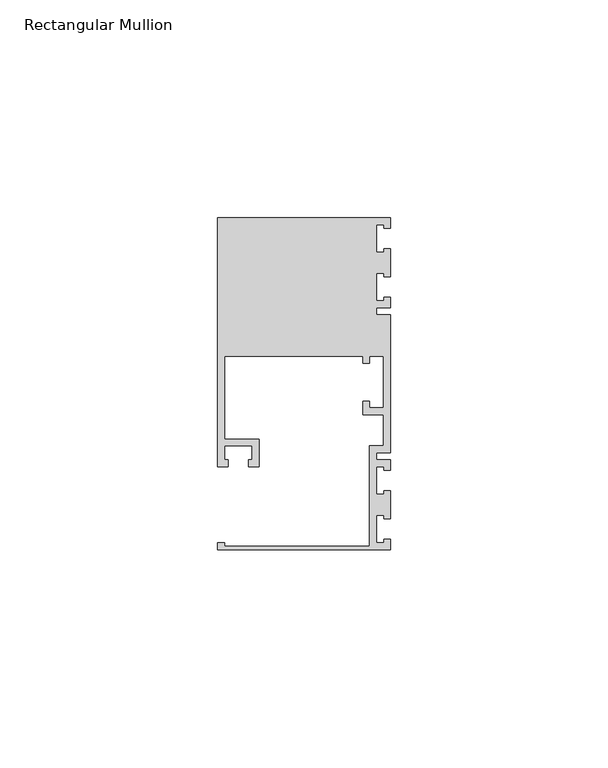
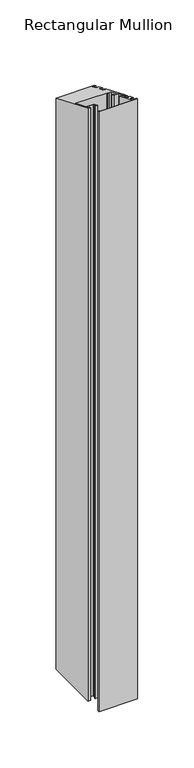
"""IFC4 building model written with IfcOpenShell, lengths in millimetres: member geometry, Rectangular Mullion."""

from ifc_helpers import new_model, si_unit, origin, place, context, project, spatial, faceted_brep, source, transform, mapped, element, save


def rectangular_mullion_1bef83f5(model_context):
    return source(origin(), model_context, "Body", "Brep", [
        faceted_brep([(0.0, -38.1, -635.0), (-39.6875, -38.1, -635.0), (-39.6875, -36.5125, -635.0), (-38.1, -36.5125, -635.0), (-38.1, -37.30625, -635.0), (-4.7625, -37.30625, -635.0), (-4.7625, -14.2875, -635.0), (-1.5875, -14.2875, -635.0), (-1.5875, -7.14375, -635.0), (-6.35, -7.14375, -635.0), (-6.35, -3.96875, -635.0), (-4.7625, -3.96875, -635.0), (-4.7625, -5.55625, -635.0), (-1.5875, -5.55625, -635.0), (-1.5875, 6.35, -635.0), (-4.7625, 6.35, -635.0), (-4.7625, 4.7625, -635.0), (-6.35, 4.7625, -635.0), (-6.35, 6.35, -635.0), (-38.1, 6.35, -635.0), (-38.1, -12.7, -635.0), (-30.1625, -12.7, -635.0), (-30.1625, -19.05, -635.0), (-32.54375, -19.05, -635.0), (-32.54375, -17.4625, -635.0), (-31.75, -17.4625, -635.0), (-31.75, -14.2875, -635.0), (-38.1, -14.2875, -635.0), (-38.1, -17.4625, -635.0), (-37.30625, -17.4625, -635.0), (-37.30625, -19.05, -635.0), (-39.6875, -19.05, -635.0), (-39.6875, 38.1, -635.0), (0.0, 38.1, -635.0), (0.0, 35.71875, -635.0), (-1.4999946, 35.71875, -635.0), (-1.4999946, 36.5125, -635.0), (-3.175, 36.5125, -635.0), (-3.175, 30.1625, -635.0), (-1.4999946, 30.1625, -635.0), (-1.4999946, 30.95625, -635.0), (0.0, 30.95625, -635.0), (0.0, 24.60625, -635.0), (-1.4999946, 24.60625, -635.0), (-1.4999946, 25.4, -635.0), (-3.175, 25.4, -635.0), (-3.175, 19.05, -635.0), (-1.4999946, 19.05, -635.0), (-1.4999946, 19.84375, -635.0), (0.0, 19.84375, -635.0), (0.0, 17.4625, -635.0), (-3.175, 17.4625, -635.0), (-3.175, 15.875, -635.0), (0.0, 15.875, -635.0), (0.0, -15.875, -635.0), (-3.175, -15.875, -635.0), (-3.175, -17.4625, -635.0), (0.0, -17.4625, -635.0), (0.0, -19.84375, -635.0), (-1.4999946, -19.84375, -635.0), (-1.4999946, -19.05, -635.0), (-3.175, -19.05, -635.0), (-3.175, -25.4, -635.0), (-1.4999946, -25.4, -635.0), (-1.4999946, -24.60625, -635.0), (0.0, -24.60625, -635.0), (0.0, -30.95625, -635.0), (-1.4999946, -30.95625, -635.0), (-1.4999946, -30.1625, -635.0), (-3.175, -30.1625, -635.0), (-3.175, -36.5125, -635.0), (-1.4999946, -36.5125, -635.0), (-1.4999946, -35.71875, -635.0), (0.0, -35.71875, -635.0), (0.0, -35.71875, 14.7951907), (0.0, -38.1, 15.7815367), (-1.4999946, -35.71875, 14.7951907), (-1.4999946, -36.5125, 15.1239727), (-3.175, -36.5125, 15.1239727), (-3.175, -30.1625, 12.4937166), (-1.4999946, -30.1625, 12.4937166), (-1.4999946, -30.95625, 12.8224986), (0.0, -30.95625, 12.8224986), (0.0, -24.60625, 10.1922425), (-1.4999946, -24.60625, 10.1922425), (-1.4999946, -25.4, 10.5210245), (-3.175, -25.4, 10.5210245), (-3.175, -19.05, 7.8907684), (-1.4999946, -19.05, 7.8907684), (-1.4999946, -19.84375, 8.2195504), (0.0, -19.84375, 8.2195504), (0.0, -17.4625, 7.2332043), (-3.175, -17.4625, 7.2332043), (-3.175, -15.875, 6.5756403), (0.0, -15.875, 6.5756403), (0.0, 15.875, -6.5756403), (-3.175, 15.875, -6.5756403), (-3.175, 17.4625, -7.2332043), (0.0, 17.4625, -7.2332043), (0.0, 19.84375, -8.2195504), (-1.4999946, 19.84375, -8.2195504), (-1.4999946, 19.05, -7.8907684), (-3.175, 19.05, -7.8907684), (-3.175, 25.4, -10.5210245), (-1.4999946, 25.4, -10.5210245), (-1.4999946, 24.60625, -10.1922425), (0.0, 24.60625, -10.1922425), (0.0, 30.95625, -12.8224986), (-1.4999946, 30.95625, -12.8224986), (-1.4999946, 30.1625, -12.4937166), (-3.175, 30.1625, -12.4937166), (-3.175, 36.5125, -15.1239727), (-1.4999946, 36.5125, -15.1239727), (-1.4999946, 35.71875, -14.7951907), (0.0, 35.71875, -14.7951907), (0.0, 38.1, -15.7815367), (-39.6875, 38.1, -15.7815367), (-39.6875, -19.05, 7.8907684), (-37.30625, -19.05, 7.8907684), (-37.30625, -17.4625, 7.2332043), (-38.1, -17.4625, 7.2332043), (-38.1, -14.2875, 5.9180763), (-31.75, -14.2875, 5.9180763), (-31.75, -17.4625, 7.2332043), (-32.54375, -17.4625, 7.2332043), (-32.54375, -19.05, 7.8907684), (-30.1625, -19.05, 7.8907684), (-30.1625, -12.7, 5.2605122), (-38.1, -12.7, 5.2605122), (-38.1, 6.35, -2.6302561), (-6.35, 6.35, -2.6302561), (-6.35, 4.7625, -1.9726921), (-4.7625, 4.7625, -1.9726921), (-4.7625, 6.35, -2.6302561), (-1.5875, 6.35, -2.6302561), (-1.5875, -5.55625, 2.3014741), (-4.7625, -5.55625, 2.3014741), (-4.7625, -3.96875, 1.6439101), (-6.35, -3.96875, 1.6439101), (-6.35, -7.14375, 2.9590381), (-1.5875, -7.14375, 2.9590381), (-1.5875, -14.2875, 5.9180763), (-4.7625, -14.2875, 5.9180763), (-4.7625, -37.30625, 15.4527547), (-38.1, -37.30625, 15.4527547), (-38.1, -36.5125, 15.1239727), (-39.6875, -36.5125, 15.1239727), (-39.6875, -38.1, 15.7815367)], [[[0, 1, 2, 3, 4, 5, 6, 7, 8, 9, 10, 11, 12, 13, 14, 15, 16, 17, 18, 19, 20, 21, 22, 23, 24, 25, 26, 27, 28, 29, 30, 31, 32, 33, 34, 35, 36, 37, 38, 39, 40, 41, 42, 43, 44, 45, 46, 47, 48, 49, 50, 51, 52, 53, 54, 55, 56, 57, 58, 59, 60, 61, 62, 63, 64, 65, 66, 67, 68, 69, 70, 71, 72, 73]], [[74, 75, 0, 73]], [[76, 74, 73, 72]], [[77, 76, 72, 71]], [[78, 77, 71, 70]], [[79, 78, 70, 69]], [[80, 79, 69, 68]], [[81, 80, 68, 67]], [[82, 81, 67, 66]], [[83, 82, 66, 65]], [[84, 83, 65, 64]], [[85, 84, 64, 63]], [[86, 85, 63, 62]], [[87, 86, 62, 61]], [[88, 87, 61, 60]], [[89, 88, 60, 59]], [[90, 89, 59, 58]], [[91, 90, 58, 57]], [[92, 91, 57, 56]], [[93, 92, 56, 55]], [[94, 93, 55, 54]], [[95, 94, 54, 53]], [[96, 95, 53, 52]], [[97, 96, 52, 51]], [[98, 97, 51, 50]], [[99, 98, 50, 49]], [[100, 99, 49, 48]], [[101, 100, 48, 47]], [[102, 101, 47, 46]], [[103, 102, 46, 45]], [[104, 103, 45, 44]], [[105, 104, 44, 43]], [[106, 105, 43, 42]], [[107, 106, 42, 41]], [[108, 107, 41, 40]], [[109, 108, 40, 39]], [[110, 109, 39, 38]], [[111, 110, 38, 37]], [[112, 111, 37, 36]], [[113, 112, 36, 35]], [[114, 113, 35, 34]], [[115, 114, 34, 33]], [[116, 115, 33, 32]], [[117, 116, 32, 31]], [[118, 117, 31, 30]], [[119, 118, 30, 29]], [[120, 119, 29, 28]], [[121, 120, 28, 27]], [[122, 121, 27, 26]], [[123, 122, 26, 25]], [[124, 123, 25, 24]], [[125, 124, 24, 23]], [[126, 125, 23, 22]], [[127, 126, 22, 21]], [[128, 127, 21, 20]], [[129, 128, 20, 19]], [[130, 129, 19, 18]], [[131, 130, 18, 17]], [[132, 131, 17, 16]], [[133, 132, 16, 15]], [[134, 133, 15, 14]], [[135, 134, 14, 13]], [[136, 135, 13, 12]], [[137, 136, 12, 11]], [[138, 137, 11, 10]], [[139, 138, 10, 9]], [[140, 139, 9, 8]], [[141, 140, 8, 7]], [[142, 141, 7, 6]], [[143, 142, 6, 5]], [[144, 143, 5, 4]], [[145, 144, 4, 3]], [[146, 145, 3, 2]], [[147, 146, 2, 1]], [[75, 147, 1, 0]], [[75, 74, 76, 77, 78, 79, 80, 81, 82, 83, 84, 85, 86, 87, 88, 89, 90, 91, 92, 93, 94, 95, 96, 97, 98, 99, 100, 101, 102, 103, 104, 105, 106, 107, 108, 109, 110, 111, 112, 113, 114, 115, 116, 117, 118, 119, 120, 121, 122, 123, 124, 125, 126, 127, 128, 129, 130, 131, 132, 133, 134, 135, 136, 137, 138, 139, 140, 141, 142, 143, 144, 145, 146, 147]]]),
    ])


if __name__ == "__main__":
    model = new_model("IFC4")
    model_context = context("Model", 3, world=origin())
    ifc_project = project(units=[si_unit("LENGTHUNIT", "METRE", prefix="MILLI")], contexts=[model_context])
    site = spatial("IfcSite", under=ifc_project)
    building = spatial("IfcBuilding", under=site)
    placement = place(None, origin())
    rectangular_mullion_shape = rectangular_mullion_1bef83f5(model_context)
    element("IfcMember", 1, ObjectType="Rectangular Mullion", at=placement, inside=building, context=model_context, shape_type="MappedRepresentation", body=[
        mapped(rectangular_mullion_shape, transform((0.0, 0.0, 0.0), x_axis=(1.0, 0.0, 0.0), y_axis=(0.0, 1.0, 0.0), z_axis=(0.0, 0.0, 1.0))),
    ])
    save(model, "model.ifc")
